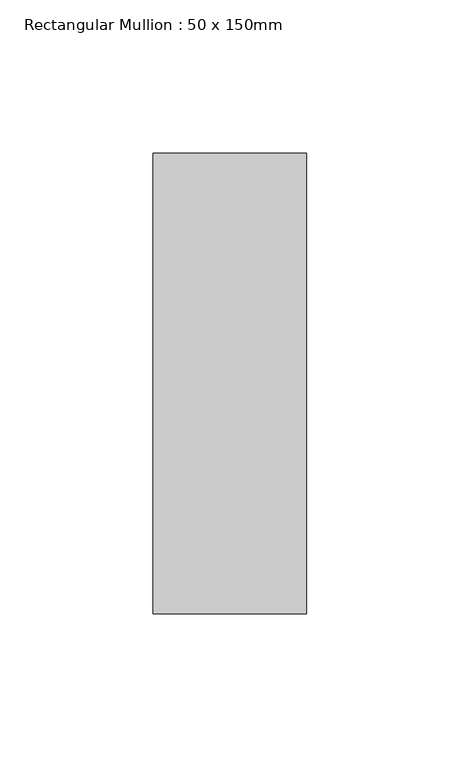
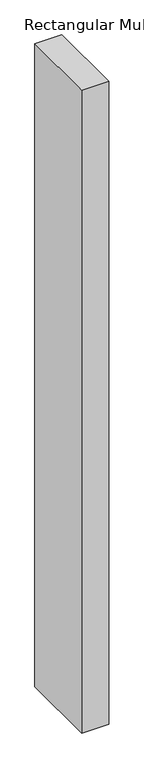
"""IFC4 building model written with IfcOpenShell, lengths in millimetres: member geometry, Rectangular Mullion : 50 x 150mm."""

from ifc_helpers import new_model, si_unit, frame, origin, place, context, project, spatial, polyline, outline, extrude, source, transform, mapped, element, save


def rectangular_mullion_50_x_150mm_f6dd6aaa(model_context):
    return source(origin(), model_context, "Body", "SweptSolid", [
        extrude(outline(polyline([(0.0, 75.0), (0.0, -75.0), (-50.0, -75.0), (-50.0, 75.0), (0.0, 75.0)])), frame((0.0, 0.0, -1258.3333335), z_axis=(0.0, 0.0, 1.0), x_axis=(1.0, 0.0, 0.0)), (0.0, 0.0, 1.0), 1258.3333335),
    ])


if __name__ == "__main__":
    model = new_model("IFC4")
    model_context = context("Model", 3, world=origin())
    ifc_project = project(units=[si_unit("LENGTHUNIT", "METRE", prefix="MILLI")], contexts=[model_context])
    site = spatial("IfcSite", under=ifc_project)
    building = spatial("IfcBuilding", under=site)
    placement = place(None, origin())
    rectangular_mullion_50_x_150mm_shape = rectangular_mullion_50_x_150mm_f6dd6aaa(model_context)
    element("IfcMember", 1, ObjectType="Rectangular Mullion : 50 x 150mm", at=placement, inside=building, context=model_context, shape_type="MappedRepresentation", body=[
        mapped(rectangular_mullion_50_x_150mm_shape, transform((0.0, 0.0, 0.0), x_axis=(1.0, 0.0, 0.0), y_axis=(0.0, 1.0, 0.0), z_axis=(0.0, 0.0, 1.0))),
    ])
    save(model, "model.ifc")
